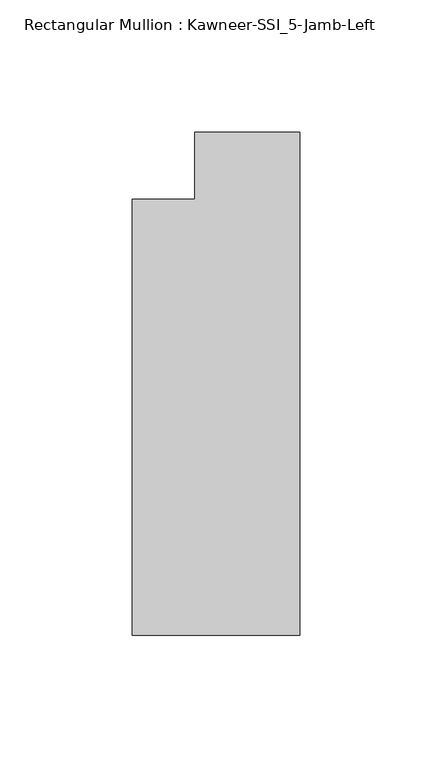
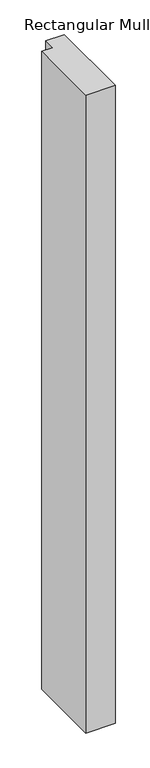
"""IFC4 building model written with IfcOpenShell, lengths in millimetres: member geometry, Rectangular Mullion : Kawneer-SSI_5-Jamb-Left."""

from ifc_helpers import new_model, si_unit, frame, origin, place, context, project, spatial, polyline, outline, extrude, source, transform, mapped, element, save


def rectangular_mullion_kawneer_ssi_5_jamb_left_5aa77426(model_context):
    return source(origin(), model_context, "Body", "SweptSolid", [
        extrude(outline(polyline([(0.0, -177.8), (-63.5, -177.8), (-63.5, -12.7), (-39.6875, -12.7), (-39.6875, 12.7), (0.0, 12.7), (0.0, -177.8)])), frame((0.0, 0.0, -1460.5), z_axis=(0.0, 0.0, 1.0), x_axis=(1.0, 0.0, 0.0)), (0.0, 0.0, 1.0), 1460.5),
    ])


if __name__ == "__main__":
    model = new_model("IFC4")
    model_context = context("Model", 3, world=origin())
    ifc_project = project(units=[si_unit("LENGTHUNIT", "METRE", prefix="MILLI")], contexts=[model_context])
    site = spatial("IfcSite", under=ifc_project)
    building = spatial("IfcBuilding", under=site)
    placement = place(None, origin())
    rectangular_mullion_kawneer_ssi_5_jamb_left_shape = rectangular_mullion_kawneer_ssi_5_jamb_left_5aa77426(model_context)
    element("IfcMember", 1, ObjectType="Rectangular Mullion : Kawneer-SSI_5-Jamb-Left", at=placement, inside=building, context=model_context, shape_type="MappedRepresentation", body=[
        mapped(rectangular_mullion_kawneer_ssi_5_jamb_left_shape, transform((0.0, 0.0, 0.0), x_axis=(1.0, 0.0, 0.0), y_axis=(0.0, 1.0, 0.0), z_axis=(0.0, 0.0, 1.0))),
    ])
    save(model, "model.ifc")
